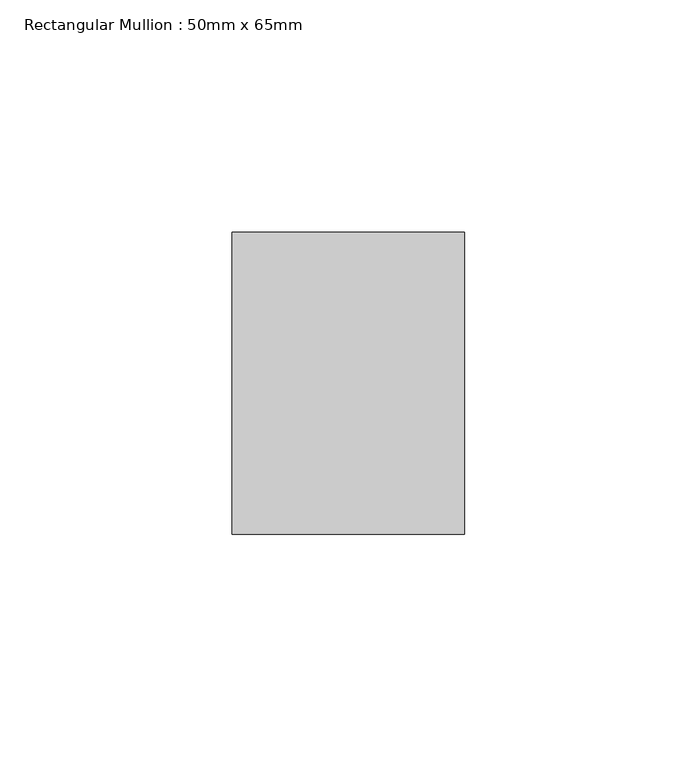
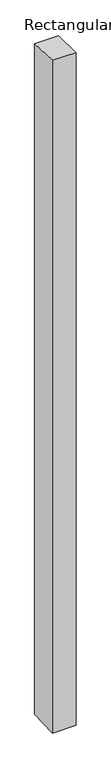
"""IFC4 building model written with IfcOpenShell, lengths in millimetres: member geometry, Rectangular Mullion : 50mm x 65mm."""

from ifc_helpers import new_model, si_unit, origin, place, context, project, spatial, faceted_brep, source, transform, mapped, element, save


def rectangular_mullion_50mm_x_65mm_da69c9a8(model_context):
    return source(origin(), model_context, "Body", "Brep", [
        faceted_brep([(-25.0, 32.5, -0.897961), (25.0, 32.5, -0.8979662), (25.0, 32.5, -1498.8579775), (-25.0, 32.5, -1498.8579841), (-25.0, -32.5, 0.8979662), (-25.0, -32.5, -1501.1418851), (25.0, -32.5, 0.897961), (25.0, -32.5, -1501.1418785)], [[[0, 1, 2, 3]], [[4, 0, 3, 5]], [[6, 4, 5, 7]], [[1, 6, 7, 2]], [[1, 0, 4, 6]], [[2, 7, 5, 3]]]),
    ])


if __name__ == "__main__":
    model = new_model("IFC4")
    model_context = context("Model", 3, world=origin())
    ifc_project = project(units=[si_unit("LENGTHUNIT", "METRE", prefix="MILLI")], contexts=[model_context])
    site = spatial("IfcSite", under=ifc_project)
    building = spatial("IfcBuilding", under=site)
    placement = place(None, origin())
    rectangular_mullion_50mm_x_65mm_shape = rectangular_mullion_50mm_x_65mm_da69c9a8(model_context)
    element("IfcMember", 1, ObjectType="Rectangular Mullion : 50mm x 65mm", at=placement, inside=building, context=model_context, shape_type="MappedRepresentation", body=[
        mapped(rectangular_mullion_50mm_x_65mm_shape, transform((0.0, 0.0, 0.0), x_axis=(1.0, 0.0, 0.0), y_axis=(0.0, 1.0, 0.0), z_axis=(0.0, 0.0, 1.0))),
    ])
    save(model, "model.ifc")
